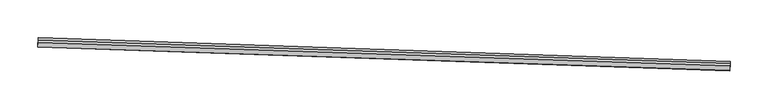
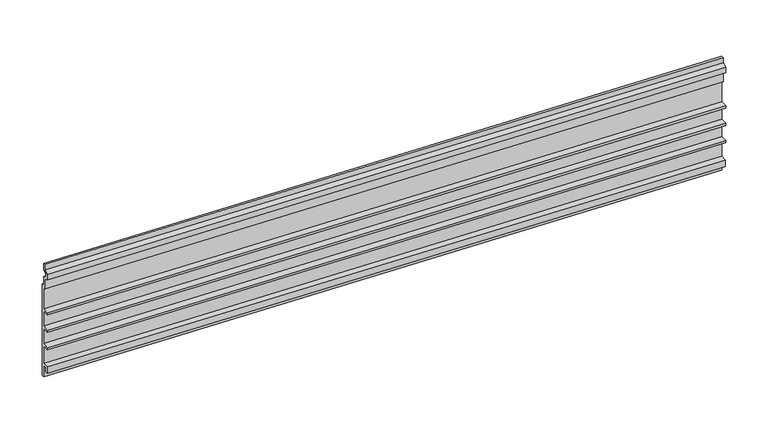
"""IFC4 building model written with IfcOpenShell, lengths in millimetres: proxy geometry."""

from ifc_helpers import new_model, si_unit, frame, origin, place, context, project, spatial, polyline, outline, extrude, source, transform, mapped, element, save


def generic_models_471fb12a(model_context):
    return source(origin(), model_context, "Body", "SweptSolid", [
        extrude(outline(polyline([(-3.1749999, 0.0), (0.0, 0.0), (0.0, 12.7), (5.4236225, 15.2290767), (5.4236225, 19.6959233), (0.0, 22.225), (0.0, 31.75), (3.175, 31.75), (3.175, 24.247698), (9.2139907, 21.4316705), (9.2139907, 13.4933295), (3.175, 10.6773019), (3.175, -3.175), (0.0, -3.175), (0.0, -34.13125), (9.525, -34.13125), (9.525, -37.30625), (0.0, -37.30625), (0.0, -59.53125), (9.525, -59.53125), (9.525, -62.70625), (0.0, -62.70625), (0.0, -84.93125), (9.525, -84.93125), (9.525, -88.10625), (0.0, -88.10625), (0.0, -113.50625), (8.8104385, -113.50625), (8.8104385, -123.03125), (4.9129906, -123.03125), (4.9129906, -116.68125), (0.0, -116.68125), (0.0, -133.35), (-3.1749999, -133.35), (-3.1749999, 0.0)])), frame((34376.7362962, -14832.2247215, 3556.0069019), z_axis=(-0.9994149479166007, 0.03420178183747702, 0.0), x_axis=(-0.03420178183747702, -0.9994149479166007, 0.0)), (0.0, 0.0, 1.0), 914.4),
    ])


if __name__ == "__main__":
    model = new_model("IFC4")
    model_context = context("Model", 3, world=origin())
    ifc_project = project(units=[si_unit("LENGTHUNIT", "METRE", prefix="MILLI")], contexts=[model_context])
    site = spatial("IfcSite", under=ifc_project)
    building = spatial("IfcBuilding", under=site)
    placement = place(None, origin())
    generic_models_shape = generic_models_471fb12a(model_context)
    element("IfcBuildingElementProxy", 1, Name="Generic Models", at=placement, inside=building, context=model_context, shape_type="MappedRepresentation", body=[
        mapped(generic_models_shape, transform((0.0, 0.0, 0.0), x_axis=(1.0, 0.0, 0.0), y_axis=(0.0, 1.0, 0.0), z_axis=(0.0, 0.0, 1.0))),
    ])
    save(model, "model.ifc")
